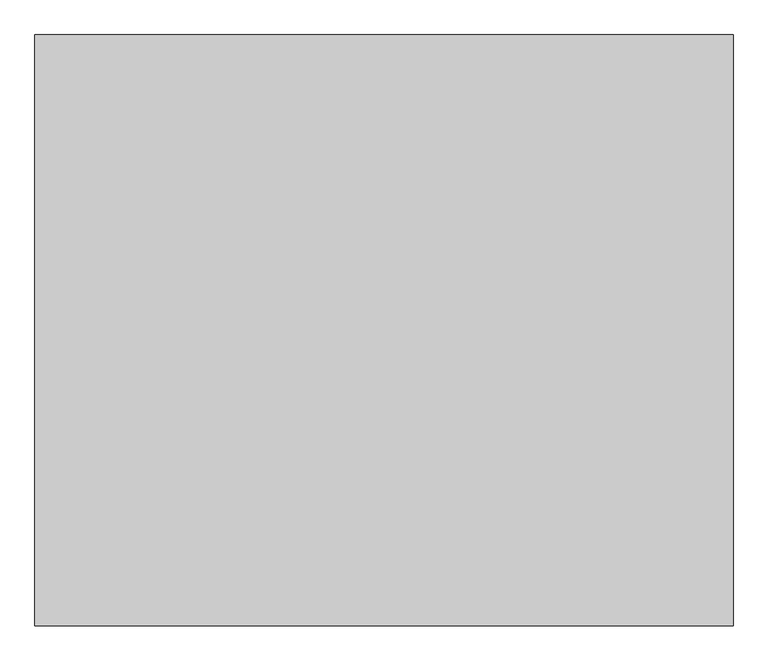
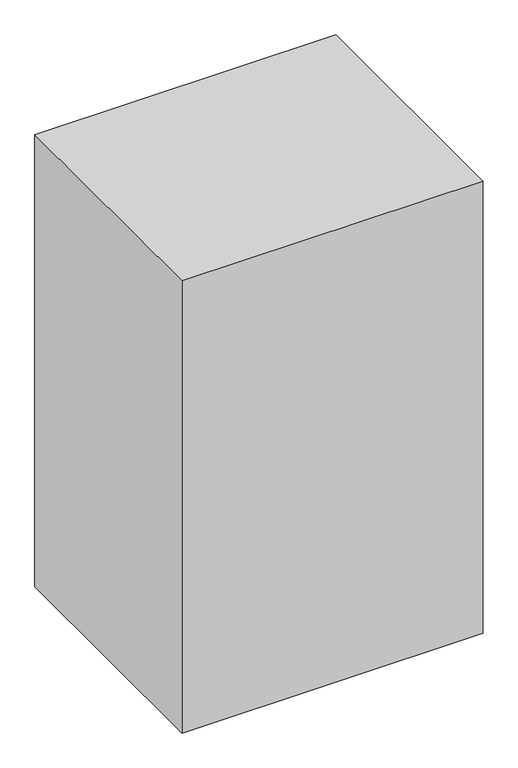
"""IFC4 building model written with IfcOpenShell, lengths in millimetres: proxy geometry."""

from ifc_helpers import new_model, si_unit, point, frame, frame_2d, origin, origin_with_axes, place, context, project, spatial, polyline, circle_curve, trimmed, segment, composite_curve, outline, extrude, source, transform, mapped, element, save
from ifc_brep_helpers import plane_surface, cylinder_surface, revolved_surface, advanced_brep


def mechanical_equipment_d6909e57(model_context):
    return source(origin(), model_context, "Body", "SolidModel", [
        advanced_brep(
        [(-121.5, -220.3858682, 114.5634366), (-121.5, -220.3858682, 646.4331533), (-121.5, -220.3858682, 658.745534), (-121.5, -220.3858682, 102.2510558), (-121.5, -194.9858682, 97.2594902), (-121.5, -194.9858682, 663.7370996), (-121.5, -194.9858682, 380.4982949), (-121.5, -218.9243206, 114.5634366), (-121.5, -218.9243206, 646.4331533), (-121.5, -218.9243206, 380.4982949)],
        [
            (0, 1, circle_curve(frame((-121.5, -220.3858682, 380.4982949), z_axis=(0.0, 1.0, 0.0), x_axis=(0.0, 0.0, 1.0)), 265.9348584)),
            (1, 2),
            (2, 3, circle_curve(frame((-121.5, -220.3858682, 380.4982949), z_axis=(0.0, -1.0, 0.0), x_axis=(0.0, 0.0, 1.0)), 278.2472391)),
            (3, 0),
            (1, 0, circle_curve(frame((-121.5, -220.3858682, 380.4982949), z_axis=(0.0, 1.0, 0.0), x_axis=(0.0, 0.0, 1.0)), 265.9348584)),
            (3, 2, circle_curve(frame((-121.5, -220.3858682, 380.4982949), z_axis=(0.0, -1.0, 0.0), x_axis=(0.0, 0.0, 1.0)), 278.2472391)),
            (4, 5, circle_curve(frame((-121.5, -194.9858682, 380.4982949), z_axis=(0.0, 1.0, 0.0), x_axis=(0.0, 0.0, 1.0)), 283.2388047)),
            (5, 6),
            (6, 4),
            (5, 4, circle_curve(frame((-121.5, -194.9858682, 380.4982949), z_axis=(0.0, 1.0, 0.0), x_axis=(0.0, 0.0, 1.0)), 283.2388047)),
            (2, 5),
            (4, 3),
            (7, 8, circle_curve(frame((-121.5, -218.9243206, 380.4982949), z_axis=(0.0, 1.0, 0.0), x_axis=(0.0, 0.0, 1.0)), 265.9348584)),
            (8, 1),
            (0, 7),
            (8, 7, circle_curve(frame((-121.5, -218.9243206, 380.4982949), z_axis=(0.0, 1.0, 0.0), x_axis=(0.0, 0.0, 1.0)), 265.9348584)),
            (9, 8),
            (7, 9),
        ],
        [
            plane_surface(frame((-121.5, -220.3858682, 380.4982949), z_axis=(0.0, -1.0, 0.0), x_axis=(0.0, 0.0, 1.0))),
            plane_surface(frame((-121.5, -194.9858682, 380.4982949), z_axis=(0.0, 1.0, 0.0), x_axis=(0.0, 0.0, 1.0))),
            revolved_surface(polyline([(-121.5, -194.9858682, 663.7370996), (-121.5, -220.3858682, 658.745534)]), (-121.5, -289.9872535, 380.4982949), (0.0, -1.0, 0.0)),
            revolved_surface(polyline([(-121.5, -220.3858682, 646.4331533), (-121.5, -218.9243206, 646.4331533)]), (-121.5, -289.9872535, 380.4982949), (0.0, -1.0, 0.0)),
            plane_surface(frame((-121.5, -218.9243206, 380.4982949), z_axis=(0.0, -1.0, 0.0), x_axis=(0.0, 0.0, 1.0))),
        ],
        [
            (0, [[1, 2, 3, 4]]),
            (0, [[5, -4, 6, -2]]),
            (1, [[7, 8, 9]]),
            (1, [[10, -9, -8]]),
            (2, [[-3, 11, -7, 12]]),
            (2, [[-6, -12, -10, -11]]),
            (3, [[13, 14, -1, 15]]),
            (3, [[16, -15, -5, -14]]),
            (4, [[17, -13, 18]]),
            (4, [[-18, -16, -17]]),
        ],
    ),
        extrude(outline(composite_curve([segment(polyline([(1335.1863554, 173.5023418), (1335.2136433, -416.4744805)]), True, "CONTINUOUS"), segment(trimmed(circle_curve(frame_2d((1325.2136433, -416.474943)), 10.0), [point((1335.2136433, -416.4744805))], [point((1325.2141047, -426.474943))], False, "CARTESIAN"), True, "CONTINUOUS"), segment(polyline([(1325.2141047, -426.474943), (719.2155414, -426.5029071)]), True, "CONTINUOUS"), segment(trimmed(circle_curve(frame_2d((719.21508, -416.5029071)), 10.0), [point((719.2155414, -426.5029071))], [point((709.21508, -416.5033707))], False, "CARTESIAN"), True, "CONTINUOUS"), segment(polyline([(709.21508, -416.5033707), (709.1877291, 173.4734192)]), True, "CONTINUOUS"), segment(trimmed(circle_curve(frame_2d((719.1877291, 173.4738828)), 10.0), [point((709.1877291, 173.4734192))], [point((719.1872671, 183.4738828))], False, "CARTESIAN"), True, "CONTINUOUS"), segment(polyline([(719.1872671, 183.4738828), (1325.1858935, 183.5018793)]), True, "CONTINUOUS"), segment(trimmed(circle_curve(frame_2d((1325.1863555, 173.5018793)), 10.0), [point((1325.1858935, 183.5018793))], [point((1335.1863554, 173.5023418))], False, "CARTESIAN"), True, "CONTINUOUS")], self_intersect=False), holes=[composite_curve([segment(trimmed(circle_curve(frame_2d((1325.1863555, 173.5018793)), 7.0), [point((1332.1863554, 173.5022031))], [point((1325.1860321, 180.5018793))], True, "CARTESIAN"), True, "CONTINUOUS"), segment(polyline([(1325.1860321, 180.5018793), (719.1874057, 180.4738828)]), True, "CONTINUOUS"), segment(trimmed(circle_curve(frame_2d((719.1877291, 173.4738828)), 7.0), [point((719.1874057, 180.4738828))], [point((712.1877291, 173.4735583))], True, "CARTESIAN"), True, "CONTINUOUS"), segment(polyline([(712.1877291, 173.4735583), (712.21508, -416.5032317)]), True, "CONTINUOUS"), segment(trimmed(circle_curve(frame_2d((719.21508, -416.5029071)), 7.0), [point((712.21508, -416.5032317))], [point((719.215403, -423.5029071))], True, "CARTESIAN"), True, "CONTINUOUS"), segment(polyline([(719.215403, -423.5029071), (1325.2139663, -423.474943)]), True, "CONTINUOUS"), segment(trimmed(circle_curve(frame_2d((1325.2136433, -416.474943)), 7.0), [point((1325.2139663, -423.474943))], [point((1332.2136433, -416.4746193))], True, "CARTESIAN"), True, "CONTINUOUS"), segment(polyline([(1332.2136433, -416.4746193), (1332.1863554, 173.5022031)]), True, "CONTINUOUS")], self_intersect=False)]), frame((0.0, -234.9858682, 0.0), z_axis=(0.0, 1.0, 0.0), x_axis=(0.0, 0.0, 1.0)), (0.0, 0.0, 1.0), 40.0),
        extrude(outline(composite_curve([segment(polyline([(691.1719438, 173.5023418), (691.1992316, -416.4744805)]), True, "CONTINUOUS"), segment(trimmed(circle_curve(frame_2d((681.1992317, -416.474943)), 10.0), [point((691.1992316, -416.4744805))], [point((681.1996931, -426.474943))], False, "CARTESIAN"), True, "CONTINUOUS"), segment(polyline([(681.1996931, -426.474943), (75.2011298, -426.5029071)]), True, "CONTINUOUS"), segment(trimmed(circle_curve(frame_2d((75.2006683, -416.5029071)), 10.0), [point((75.2011298, -426.5029071))], [point((65.2006684, -416.5033707))], False, "CARTESIAN"), True, "CONTINUOUS"), segment(polyline([(65.2006684, -416.5033707), (65.1733175, 173.4734192)]), True, "CONTINUOUS"), segment(trimmed(circle_curve(frame_2d((75.1733175, 173.4738828)), 10.0), [point((65.1733175, 173.4734192))], [point((75.1728555, 183.4738828))], False, "CARTESIAN"), True, "CONTINUOUS"), segment(polyline([(75.1728555, 183.4738828), (681.1714818, 183.5018793)]), True, "CONTINUOUS"), segment(trimmed(circle_curve(frame_2d((681.1719438, 173.5018793)), 10.0), [point((681.1714818, 183.5018793))], [point((691.1719438, 173.5023418))], False, "CARTESIAN"), True, "CONTINUOUS")], self_intersect=False), holes=[composite_curve([segment(trimmed(circle_curve(frame_2d((681.1719438, 173.5018793)), 7.0), [point((688.1719438, 173.5022031))], [point((681.1716204, 180.5018793))], True, "CARTESIAN"), True, "CONTINUOUS"), segment(polyline([(681.1716204, 180.5018793), (75.1729941, 180.4738828)]), True, "CONTINUOUS"), segment(trimmed(circle_curve(frame_2d((75.1733175, 173.4738828)), 7.0), [point((75.1729941, 180.4738828))], [point((68.1733175, 173.4735583))], True, "CARTESIAN"), True, "CONTINUOUS"), segment(polyline([(68.1733175, 173.4735583), (68.2006683, -416.5032317)]), True, "CONTINUOUS"), segment(trimmed(circle_curve(frame_2d((75.2006683, -416.5029071)), 7.0), [point((68.2006683, -416.5032317))], [point((75.2009914, -423.5029071))], True, "CARTESIAN"), True, "CONTINUOUS"), segment(polyline([(75.2009914, -423.5029071), (681.1995547, -423.474943)]), True, "CONTINUOUS"), segment(trimmed(circle_curve(frame_2d((681.1992317, -416.474943)), 7.0), [point((681.1995547, -423.474943))], [point((688.1992316, -416.4746193))], True, "CARTESIAN"), True, "CONTINUOUS"), segment(polyline([(688.1992316, -416.4746193), (688.1719438, 173.5022031)]), True, "CONTINUOUS")], self_intersect=False)]), frame((0.0, -234.9858682, 0.0), z_axis=(0.0, 1.0, 0.0), x_axis=(0.0, 0.0, 1.0)), (0.0, 0.0, 1.0), 40.0),
        advanced_brep(
        [(-121.5, -220.3858682, 756.2451416), (-121.5, -220.3858682, 1288.1148584), (-121.5, -220.3858682, 1300.4272391), (-121.5, -220.3858682, 743.9327609), (-121.5, -194.9858682, 738.9411953), (-121.5, -194.9858682, 1305.4188047), (-121.5, -194.9858682, 1022.18), (-121.5, -218.9243206, 756.2451416), (-121.5, -218.9243206, 1288.1148584), (-121.5, -218.9243206, 1022.18)],
        [
            (0, 1, circle_curve(frame((-121.5, -220.3858682, 1022.18), z_axis=(0.0, 1.0, 0.0), x_axis=(0.0, 0.0, 1.0)), 265.9348584)),
            (1, 2),
            (2, 3, circle_curve(frame((-121.5, -220.3858682, 1022.18), z_axis=(0.0, -1.0, 0.0), x_axis=(0.0, 0.0, 1.0)), 278.2472391)),
            (3, 0),
            (1, 0, circle_curve(frame((-121.5, -220.3858682, 1022.18), z_axis=(0.0, 1.0, 0.0), x_axis=(0.0, 0.0, 1.0)), 265.9348584)),
            (3, 2, circle_curve(frame((-121.5, -220.3858682, 1022.18), z_axis=(0.0, -1.0, 0.0), x_axis=(0.0, 0.0, 1.0)), 278.2472391)),
            (4, 5, circle_curve(frame((-121.5, -194.9858682, 1022.18), z_axis=(0.0, 1.0, 0.0), x_axis=(0.0, 0.0, 1.0)), 283.2388047)),
            (5, 6),
            (6, 4),
            (5, 4, circle_curve(frame((-121.5, -194.9858682, 1022.18), z_axis=(0.0, 1.0, 0.0), x_axis=(0.0, 0.0, 1.0)), 283.2388047)),
            (2, 5),
            (4, 3),
            (7, 8, circle_curve(frame((-121.5, -218.9243206, 1022.18), z_axis=(0.0, 1.0, 0.0), x_axis=(0.0, 0.0, 1.0)), 265.9348584)),
            (8, 1),
            (0, 7),
            (8, 7, circle_curve(frame((-121.5, -218.9243206, 1022.18), z_axis=(0.0, 1.0, 0.0), x_axis=(0.0, 0.0, 1.0)), 265.9348584)),
            (9, 8),
            (7, 9),
        ],
        [
            plane_surface(frame((-121.5, -220.3858682, 1022.18), z_axis=(0.0, -1.0, 0.0), x_axis=(0.0, 0.0, 1.0))),
            plane_surface(frame((-121.5, -194.9858682, 1022.18), z_axis=(0.0, 1.0, 0.0), x_axis=(0.0, 0.0, 1.0))),
            revolved_surface(polyline([(-121.5, -194.9858682, 1305.4188047), (-121.5, -220.3858682, 1300.4272391)]), (-121.5, -289.9872535, 1022.18), (0.0, -1.0, 0.0)),
            revolved_surface(polyline([(-121.5, -220.3858682, 1288.1148584), (-121.5, -218.9243206, 1288.1148584)]), (-121.5, -289.9872535, 1022.18), (0.0, -1.0, 0.0)),
            plane_surface(frame((-121.5, -218.9243206, 1022.18), z_axis=(0.0, -1.0, 0.0), x_axis=(0.0, 0.0, 1.0))),
        ],
        [
            (0, [[1, 2, 3, 4]]),
            (0, [[5, -4, 6, -2]]),
            (1, [[7, 8, 9]]),
            (1, [[10, -9, -8]]),
            (2, [[-3, 11, -7, 12]]),
            (2, [[-6, -12, -10, -11]]),
            (3, [[13, 14, -1, 15]]),
            (3, [[16, -15, -5, -14]]),
            (4, [[17, -13, 18]]),
            (4, [[-18, -16, -17]]),
        ],
    ),
        extrude(outline(composite_curve([segment(trimmed(circle_curve(frame_2d((1325.2136433, -416.474943)), 7.0), [point((1332.2136433, -416.4746193))], [point((1325.2139663, -423.474943))], False, "CARTESIAN"), True, "CONTINUOUS"), segment(polyline([(1325.2139663, -423.474943), (719.215403, -423.5029071)]), True, "CONTINUOUS"), segment(trimmed(circle_curve(frame_2d((719.21508, -416.5029071)), 7.0), [point((719.215403, -423.5029071))], [point((712.21508, -416.5032317))], False, "CARTESIAN"), True, "CONTINUOUS"), segment(polyline([(712.21508, -416.5032317), (712.1877291, 173.4735583)]), True, "CONTINUOUS"), segment(trimmed(circle_curve(frame_2d((719.1877291, 173.4738828)), 7.0), [point((712.1877291, 173.4735583))], [point((719.1874057, 180.4738828))], False, "CARTESIAN"), True, "CONTINUOUS"), segment(polyline([(719.1874057, 180.4738828), (1325.1860321, 180.5018793)]), True, "CONTINUOUS"), segment(trimmed(circle_curve(frame_2d((1325.1863555, 173.5018793)), 7.0), [point((1325.1860321, 180.5018793))], [point((1332.1863554, 173.5022031))], False, "CARTESIAN"), True, "CONTINUOUS"), segment(polyline([(1332.1863554, 173.5022031), (1332.2136433, -416.4746193)]), True, "CONTINUOUS")], self_intersect=False)), frame((0.0, -234.9858682, 0.0), z_axis=(0.0, 1.0, 0.0), x_axis=(0.0, 0.0, 1.0)), (0.0, 0.0, 1.0), 40.0),
        extrude(outline(composite_curve([segment(trimmed(circle_curve(frame_2d((681.1992317, -416.474943)), 7.0), [point((688.1992316, -416.4746193))], [point((681.1995547, -423.474943))], False, "CARTESIAN"), True, "CONTINUOUS"), segment(polyline([(681.1995547, -423.474943), (75.2009914, -423.5029071)]), True, "CONTINUOUS"), segment(trimmed(circle_curve(frame_2d((75.2006683, -416.5029071)), 7.0), [point((75.2009914, -423.5029071))], [point((68.2006683, -416.5032317))], False, "CARTESIAN"), True, "CONTINUOUS"), segment(polyline([(68.2006683, -416.5032317), (68.1733175, 173.4735583)]), True, "CONTINUOUS"), segment(trimmed(circle_curve(frame_2d((75.1733175, 173.4738828)), 7.0), [point((68.1733175, 173.4735583))], [point((75.1729941, 180.4738828))], False, "CARTESIAN"), True, "CONTINUOUS"), segment(polyline([(75.1729941, 180.4738828), (681.1716204, 180.5018793)]), True, "CONTINUOUS"), segment(trimmed(circle_curve(frame_2d((681.1719438, 173.5018793)), 7.0), [point((681.1716204, 180.5018793))], [point((688.1719438, 173.5022031))], False, "CARTESIAN"), True, "CONTINUOUS"), segment(polyline([(688.1719438, 173.5022031), (688.1992316, -416.4746193)]), True, "CONTINUOUS")], self_intersect=False)), frame((0.0, -234.9858682, 0.0), z_axis=(0.0, 1.0, 0.0), x_axis=(0.0, 0.0, 1.0)), (0.0, 0.0, 1.0), 40.0),
        extrude(outline(composite_curve([segment(trimmed(circle_curve(frame_2d((-158.0324499, 91.3038221)), 4.76), [point((-162.7924499, 91.3038221))], [point((-153.2724499, 91.3038221))], False, "CARTESIAN"), True, "CONTINUOUS"), segment(trimmed(circle_curve(frame_2d((-158.0324499, 91.3038221)), 4.76), [point((-153.2724499, 91.3038221))], [point((-162.7924499, 91.3038221))], False, "CARTESIAN"), True, "CONTINUOUS")], self_intersect=False)), frame((403.3741048, 0.0, 0.0), z_axis=(1.0, 0.0, 0.0), x_axis=(0.0, 1.0, 0.0)), (0.0, 0.0, 1.0), 71.63),
        extrude(outline(composite_curve([segment(trimmed(circle_curve(frame_2d((-127.534221, 91.3038221)), 7.94), [point((-135.474221, 91.3038221))], [point((-119.594221, 91.3038221))], False, "CARTESIAN"), True, "CONTINUOUS"), segment(trimmed(circle_curve(frame_2d((-127.534221, 91.3038221)), 7.94), [point((-119.594221, 91.3038221))], [point((-135.474221, 91.3038221))], False, "CARTESIAN"), True, "CONTINUOUS")], self_intersect=False)), frame((403.3741048, 0.0, 0.0), z_axis=(1.0, 0.0, 0.0), x_axis=(0.0, 1.0, 0.0)), (0.0, 0.0, 1.0), 71.63),
        advanced_brep(
        [(-335.0, -235.0, -0.0023462), (-335.0, -235.0, 4.8076859), (-335.0, -230.7985162, 9.0091697), (-335.0, -193.7687717, 9.0091697), (-335.0, -184.3767334, 15.5688257), (-335.0, -180.6724798, 25.6733884), (-335.0, -174.3214188, 32.2129905), (-335.0, 161.4703581, 32.2129905), (-335.0, 167.9574085, 25.3287628), (-335.0, 171.4314165, 15.8669701), (-335.0, 180.9302278, 9.0008334), (-335.0, 200.9539663, 9.0008334), (-335.0, 205.1554502, 4.7993496), (-335.0, 205.1554502, -0.0023462), (-265.0, -235.0, -0.0023462), (-265.0, 205.1554502, -0.0023462), (-265.0, 205.1554502, 4.7993496), (-265.0, 200.9539663, 9.0008334), (-265.0, 180.9302278, 9.0008334), (-265.0, 171.4314165, 15.8669701), (-265.0, 167.9574085, 25.3287628), (-265.0, 161.4703581, 32.2129905), (-265.0, -174.3214188, 32.2129905), (-265.0, -180.6711805, 25.670834), (-265.0, -184.373787, 15.5698201), (-265.0, -193.7687717, 9.0091697), (-265.0, -230.7985162, 9.0091697), (-265.0, -235.0, 4.8076859)],
        [
            (0, 1),
            (1, 2, circle_curve(frame((-335.0, -230.7985162, 4.8076859), z_axis=(-1.0, 0.0, 0.0), x_axis=(0.0, 1.0, 0.0)), 4.2014838)),
            (2, 3),
            (3, 4, circle_curve(frame((-335.0, -193.7687717, 19.0127027), z_axis=(1.0, 0.0, 0.0), x_axis=(0.0, 1.0, 0.0)), 10.003533)),
            (4, 5),
            (5, 6, circle_curve(frame((-335.0, -170.1520976, 21.8136919), z_axis=(-1.0, 0.0, 0.0), x_axis=(0.0, 1.0, 0.0)), 11.2039569)),
            (6, 7),
            (7, 8, circle_curve(frame((-335.0, 157.3218901, 21.8053556), z_axis=(-1.0, 0.0, 0.0), x_axis=(0.0, 1.0, 0.0)), 11.2039569)),
            (8, 9),
            (9, 10, circle_curve(frame((-335.0, 180.9302278, 19.0043664), z_axis=(1.0, 0.0, 0.0), x_axis=(0.0, 1.0, 0.0)), 10.003533)),
            (10, 11),
            (11, 12, circle_curve(frame((-335.0, 200.9539663, 4.7993496), z_axis=(-1.0, 0.0, 0.0), x_axis=(0.0, 1.0, 0.0)), 4.2014838)),
            (12, 13),
            (13, 0),
            (14, 15),
            (15, 16),
            (16, 17, circle_curve(frame((-265.0, 200.9539663, 4.7993496), z_axis=(1.0, 0.0, 0.0), x_axis=(0.0, 1.0, 0.0)), 4.2014838)),
            (17, 18),
            (18, 19, circle_curve(frame((-265.0, 180.9302278, 19.0043664), z_axis=(-1.0, 0.0, 0.0), x_axis=(0.0, 1.0, 0.0)), 10.003533)),
            (19, 20),
            (20, 21, circle_curve(frame((-265.0, 157.3218901, 21.8053556), z_axis=(1.0, 0.0, 0.0), x_axis=(0.0, 1.0, 0.0)), 11.2039569)),
            (21, 22),
            (22, 23, circle_curve(frame((-265.0, -170.1520976, 21.8136919), z_axis=(1.0, 0.0, 0.0), x_axis=(0.0, 1.0, 0.0)), 11.2039569)),
            (23, 24),
            (24, 25, circle_curve(frame((-265.0, -193.7687717, 19.0127027), z_axis=(-1.0, 0.0, 0.0), x_axis=(0.0, 1.0, 0.0)), 10.003533)),
            (25, 26),
            (26, 27, circle_curve(frame((-265.0, -230.7985162, 4.8076859), z_axis=(1.0, 0.0, 0.0), x_axis=(0.0, 1.0, 0.0)), 4.2014838)),
            (27, 14),
            (0, 14),
            (27, 1),
            (26, 2),
            (25, 3),
            (24, 4),
            (23, 5),
            (22, 6),
            (21, 7),
            (20, 8),
            (19, 9),
            (18, 10),
            (17, 11),
            (16, 12),
            (15, 13),
        ],
        [
            plane_surface(frame((-335.0, -235.0, 4.8076859), z_axis=(-1.0, 0.0, 0.0), x_axis=(0.0, 0.0, 1.0))),
            plane_surface(frame((-265.0, -235.0, 4.8076859), z_axis=(1.0, 0.0, 0.0), x_axis=(0.0, 0.0, -1.0))),
            plane_surface(frame((-335.0, -235.0, -0.0023462), z_axis=(0.0, -1.0, 0.0), x_axis=(1.0, 0.0, 0.0))),
            cylinder_surface(frame((-265.0, -230.7985162, 4.8076859), z_axis=(-1.0, 0.0, 0.0), x_axis=(0.0, 1.0, 0.0)), 4.2014838),
            plane_surface(frame((-335.0, -230.7985162, 9.0091697), z_axis=(0.0, 0.0, 1.0), x_axis=(1.0, 0.0, 0.0))),
            revolved_surface(polyline([(-265.0, -183.7652387, 19.0127027), (-335.0, -183.7652387, 19.0127027)]), (-265.0, -193.7687717, 19.0127027), (1.0, 0.0, 0.0)),
            plane_surface(frame((-335.0, -184.373787, 15.5698201), z_axis=(0.0, -0.9389764375191011, 0.34398146720999045), x_axis=(1.0, 0.0, 0.0))),
            cylinder_surface(frame((-265.0, -170.1520976, 21.8136919), z_axis=(-1.0, 0.0, 0.0), x_axis=(0.0, 1.0, 0.0)), 11.2039569),
            plane_surface(frame((-335.0, -174.3214188, 32.2129905), z_axis=(0.0, 0.0, 1.0), x_axis=(1.0, 0.0, 0.0))),
            cylinder_surface(frame((-265.0, 157.3218901, 21.8053556), z_axis=(-1.0, 0.0, 0.0), x_axis=(0.0, 1.0, 0.0)), 11.2039569),
            plane_surface(frame((-335.0, 167.9574085, 25.3287628), z_axis=(0.0, 0.9387260245311962, 0.3446642581815761), x_axis=(1.0, 0.0, 0.0))),
            revolved_surface(polyline([(-265.0, 190.93376080000002, 19.0043664), (-335.0, 190.93376080000002, 19.0043664)]), (-265.0, 180.9302278, 19.0043664), (1.0, 0.0, 0.0)),
            plane_surface(frame((-335.0, 180.9302278, 9.0008334), z_axis=(0.0, 0.0, 1.0), x_axis=(1.0, 0.0, 0.0))),
            cylinder_surface(frame((-265.0, 200.9539663, 4.7993496), z_axis=(-1.0, 0.0, 0.0), x_axis=(0.0, 1.0, 0.0)), 4.2014838),
            plane_surface(frame((-335.0, 205.1554502, 4.7993496), z_axis=(0.0, 1.0, 0.0), x_axis=(1.0, 0.0, 0.0))),
            plane_surface(frame((-335.0, 205.1554502, -0.0023462), z_axis=(0.0, 0.0, -1.0), x_axis=(1.0, 0.0, 0.0))),
        ],
        [
            (0, [[1, 2, 3, 4, 5, 6, 7, 8, 9, 10, 11, 12, 13, 14]]),
            (1, [[15, 16, 17, 18, 19, 20, 21, 22, 23, 24, 25, 26, 27, 28]]),
            (2, [[-1, 29, -28, 30]]),
            (3, [[-2, -30, -27, 31]]),
            (4, [[-3, -31, -26, 32]]),
            (5, [[-4, -32, -25, 33]]),
            (6, [[-5, -33, -24, 34]]),
            (7, [[-6, -34, -23, 35]]),
            (8, [[-7, -35, -22, 36]]),
            (9, [[-8, -36, -21, 37]]),
            (10, [[-9, -37, -20, 38]]),
            (11, [[-10, -38, -19, 39]]),
            (12, [[-11, -39, -18, 40]]),
            (13, [[-12, -40, -17, 41]]),
            (14, [[-13, -41, -16, 42]]),
            (15, [[-14, -42, -15, -29]]),
        ],
    ),
        advanced_brep(
        [(265.0, -235.0, -0.0023462), (265.0, -235.0, 4.8076859), (265.0, -230.7985162, 9.0091697), (265.0, -193.7687717, 9.0091697), (265.0, -184.3767334, 15.5688257), (265.0, -180.6724798, 25.6733884), (265.0, -174.3214188, 32.2129905), (265.0, 161.4703581, 32.2129905), (265.0, 167.9574085, 25.3287628), (265.0, 171.4314165, 15.8669701), (265.0, 180.9302278, 9.0008334), (265.0, 200.9539663, 9.0008334), (265.0, 205.1554502, 4.7993496), (265.0, 205.1554502, -0.0023462), (335.0, -235.0, -0.0023462), (335.0, 205.1554502, -0.0023462), (335.0, 205.1554502, 4.7993496), (335.0, 200.9539663, 9.0008334), (335.0, 180.9302278, 9.0008334), (335.0, 171.4314165, 15.8669701), (335.0, 167.9574085, 25.3287628), (335.0, 161.4703581, 32.2129905), (335.0, -174.3214188, 32.2129905), (335.0, -180.6711805, 25.670834), (335.0, -184.373787, 15.5698201), (335.0, -193.7687717, 9.0091697), (335.0, -230.7985162, 9.0091697), (335.0, -235.0, 4.8076859)],
        [
            (0, 1),
            (1, 2, circle_curve(frame((265.0, -230.7985162, 4.8076859), z_axis=(-1.0, 0.0, 0.0), x_axis=(0.0, 1.0, 0.0)), 4.2014838)),
            (2, 3),
            (3, 4, circle_curve(frame((265.0, -193.7687717, 19.0127027), z_axis=(1.0, 0.0, 0.0), x_axis=(0.0, 1.0, 0.0)), 10.003533)),
            (4, 5),
            (5, 6, circle_curve(frame((265.0, -170.1520976, 21.8136919), z_axis=(-1.0, 0.0, 0.0), x_axis=(0.0, 1.0, 0.0)), 11.2039569)),
            (6, 7),
            (7, 8, circle_curve(frame((265.0, 157.3218901, 21.8053556), z_axis=(-1.0, 0.0, 0.0), x_axis=(0.0, 1.0, 0.0)), 11.2039569)),
            (8, 9),
            (9, 10, circle_curve(frame((265.0, 180.9302278, 19.0043664), z_axis=(1.0, 0.0, 0.0), x_axis=(0.0, 1.0, 0.0)), 10.003533)),
            (10, 11),
            (11, 12, circle_curve(frame((265.0, 200.9539663, 4.7993496), z_axis=(-1.0, 0.0, 0.0), x_axis=(0.0, 1.0, 0.0)), 4.2014838)),
            (12, 13),
            (13, 0),
            (14, 15),
            (15, 16),
            (16, 17, circle_curve(frame((335.0, 200.9539663, 4.7993496), z_axis=(1.0, 0.0, 0.0), x_axis=(0.0, 1.0, 0.0)), 4.2014838)),
            (17, 18),
            (18, 19, circle_curve(frame((335.0, 180.9302278, 19.0043664), z_axis=(-1.0, 0.0, 0.0), x_axis=(0.0, 1.0, 0.0)), 10.003533)),
            (19, 20),
            (20, 21, circle_curve(frame((335.0, 157.3218901, 21.8053556), z_axis=(1.0, 0.0, 0.0), x_axis=(0.0, 1.0, 0.0)), 11.2039569)),
            (21, 22),
            (22, 23, circle_curve(frame((335.0, -170.1520976, 21.8136919), z_axis=(1.0, 0.0, 0.0), x_axis=(0.0, 1.0, 0.0)), 11.2039569)),
            (23, 24),
            (24, 25, circle_curve(frame((335.0, -193.7687717, 19.0127027), z_axis=(-1.0, 0.0, 0.0), x_axis=(0.0, 1.0, 0.0)), 10.003533)),
            (25, 26),
            (26, 27, circle_curve(frame((335.0, -230.7985162, 4.8076859), z_axis=(1.0, 0.0, 0.0), x_axis=(0.0, 1.0, 0.0)), 4.2014838)),
            (27, 14),
            (0, 14),
            (27, 1),
            (26, 2),
            (25, 3),
            (24, 4),
            (23, 5),
            (22, 6),
            (21, 7),
            (20, 8),
            (19, 9),
            (18, 10),
            (17, 11),
            (16, 12),
            (15, 13),
        ],
        [
            plane_surface(frame((265.0, -235.0, 4.8076859), z_axis=(-1.0, 0.0, 0.0), x_axis=(0.0, 0.0, 1.0))),
            plane_surface(frame((335.0, -235.0, 4.8076859), z_axis=(1.0, 0.0, 0.0), x_axis=(0.0, 0.0, -1.0))),
            plane_surface(frame((265.0, -235.0, -0.0023462), z_axis=(0.0, -1.0, 0.0), x_axis=(1.0, 0.0, 0.0))),
            cylinder_surface(frame((335.0, -230.7985162, 4.8076859), z_axis=(-1.0, 0.0, 0.0), x_axis=(0.0, 1.0, 0.0)), 4.2014838),
            plane_surface(frame((265.0, -230.7985162, 9.0091697), z_axis=(0.0, 0.0, 1.0), x_axis=(1.0, 0.0, 0.0))),
            revolved_surface(polyline([(335.0, -183.7652387, 19.0127027), (265.0, -183.7652387, 19.0127027)]), (335.0, -193.7687717, 19.0127027), (1.0, 0.0, 0.0)),
            plane_surface(frame((265.0, -184.373787, 15.5698201), z_axis=(0.0, -0.9389764375191011, 0.34398146720999045), x_axis=(1.0, 0.0, 0.0))),
            cylinder_surface(frame((335.0, -170.1520976, 21.8136919), z_axis=(-1.0, 0.0, 0.0), x_axis=(0.0, 1.0, 0.0)), 11.2039569),
            plane_surface(frame((265.0, -174.3214188, 32.2129905), z_axis=(0.0, 0.0, 1.0), x_axis=(1.0, 0.0, 0.0))),
            cylinder_surface(frame((335.0, 157.3218901, 21.8053556), z_axis=(-1.0, 0.0, 0.0), x_axis=(0.0, 1.0, 0.0)), 11.2039569),
            plane_surface(frame((265.0, 167.9574085, 25.3287628), z_axis=(0.0, 0.9387260245311962, 0.3446642581815761), x_axis=(1.0, 0.0, 0.0))),
            revolved_surface(polyline([(335.0, 190.93376080000002, 19.0043664), (265.0, 190.93376080000002, 19.0043664)]), (335.0, 180.9302278, 19.0043664), (1.0, 0.0, 0.0)),
            plane_surface(frame((265.0, 180.9302278, 9.0008334), z_axis=(0.0, 0.0, 1.0), x_axis=(1.0, 0.0, 0.0))),
            cylinder_surface(frame((335.0, 200.9539663, 4.7993496), z_axis=(-1.0, 0.0, 0.0), x_axis=(0.0, 1.0, 0.0)), 4.2014838),
            plane_surface(frame((265.0, 205.1554502, 4.7993496), z_axis=(0.0, 1.0, 0.0), x_axis=(1.0, 0.0, 0.0))),
            plane_surface(frame((265.0, 205.1554502, -0.0023462), z_axis=(0.0, 0.0, -1.0), x_axis=(1.0, 0.0, 0.0))),
        ],
        [
            (0, [[1, 2, 3, 4, 5, 6, 7, 8, 9, 10, 11, 12, 13, 14]]),
            (1, [[15, 16, 17, 18, 19, 20, 21, 22, 23, 24, 25, 26, 27, 28]]),
            (2, [[-1, 29, -28, 30]]),
            (3, [[-2, -30, -27, 31]]),
            (4, [[-3, -31, -26, 32]]),
            (5, [[-4, -32, -25, 33]]),
            (6, [[-5, -33, -24, 34]]),
            (7, [[-6, -34, -23, 35]]),
            (8, [[-7, -35, -22, 36]]),
            (9, [[-8, -36, -21, 37]]),
            (10, [[-9, -37, -20, 38]]),
            (11, [[-10, -38, -19, 39]]),
            (12, [[-11, -39, -18, 40]]),
            (13, [[-12, -40, -17, 41]]),
            (14, [[-13, -41, -16, 42]]),
            (15, [[-14, -42, -15, -29]]),
        ],
    ),
        extrude(outline(composite_curve([segment(trimmed(circle_curve(frame_2d((263.0, 290.0)), 18.0), [point((263.0, 272.0))], [point((245.0, 290.0))], False, "CARTESIAN"), True, "CONTINUOUS"), segment(polyline([(245.0, 290.0), (245.0, 400.0)]), True, "CONTINUOUS"), segment(trimmed(circle_curve(frame_2d((263.0, 400.0)), 18.0), [point((245.0, 400.0))], [point((263.0, 418.0))], False, "CARTESIAN"), True, "CONTINUOUS"), segment(polyline([(263.0, 418.0), (1299.0, 418.0)]), True, "CONTINUOUS"), segment(trimmed(circle_curve(frame_2d((1299.0, 400.0)), 18.0), [point((1299.0, 418.0))], [point((1317.0, 400.0))], False, "CARTESIAN"), True, "CONTINUOUS"), segment(polyline([(1317.0, 400.0), (1317.0, 290.0)]), True, "CONTINUOUS"), segment(trimmed(circle_curve(frame_2d((1299.0, 290.0)), 18.0), [point((1317.0, 290.0))], [point((1299.0, 272.0))], False, "CARTESIAN"), True, "CONTINUOUS"), segment(polyline([(1299.0, 272.0), (263.0, 272.0)]), True, "CONTINUOUS")], self_intersect=False)), frame((0.0, -209.9858682, 0.0), z_axis=(0.0, 1.0, 0.0), x_axis=(0.0, 0.0, 1.0)), (0.0, 0.0, 1.0), 15.0),
        extrude(outline(composite_curve([segment(trimmed(circle_curve(frame_2d((0.0, 230.082969)), 10.0), [point((10.0, 230.082969))], [point((-10.0, 230.082969))], False, "CARTESIAN"), True, "CONTINUOUS"), segment(trimmed(circle_curve(frame_2d((0.0, 230.082969)), 10.0), [point((-10.0, 230.082969))], [point((10.0, 230.082969))], False, "CARTESIAN"), True, "CONTINUOUS")], self_intersect=False)), frame((483.0, 0.0, 0.0), z_axis=(1.0, 0.0, 0.0), x_axis=(0.0, 1.0, 0.0)), (0.0, 0.0, 1.0), 1.0),
        advanced_brep(
        [(450.7367148, 175.0141318, 1380.0), (-449.9999885, 175.0141318, 1380.0), (-474.9999878, 149.9999901, 1380.0), (-475.0, -170.0000017, 1380.0), (-449.1594868, -194.9858682, 1380.0), (449.9999885, -194.9858682, 1380.0), (474.9999878, -169.9750017, 1380.0), (475.0, 150.0249901, 1380.0), (450.7367148, 175.0141318, 32.0), (474.9999878, 150.0249901, 32.0), (475.0, -169.9750017, 32.0), (449.9999885, -194.975001, 32.0), (-449.1594868, -194.9858682, 32.0), (-474.9999878, -170.0000017, 32.0), (-475.0, 149.9999901, 32.0), (-449.9999885, 174.9999895, 32.0)],
        [
            (0, 1),
            (1, 2, circle_curve(frame((-449.9999885, 149.9999901, 1380.0), z_axis=(0.0, 0.0, 1.0), x_axis=(1.0, 0.0, 0.0)), 24.9999994)),
            (2, 3),
            (3, 4, circle_curve(frame((-449.9999885, -170.0000017, 1380.0), z_axis=(0.0, 0.0, 1.0), x_axis=(1.0, 0.0, 0.0)), 24.9999994)),
            (4, 5),
            (5, 6, circle_curve(frame((449.9999885, -169.9750017, 1380.0), z_axis=(0.0, 0.0, 1.0), x_axis=(1.0, 0.0, 0.0)), 24.9999994)),
            (6, 7),
            (7, 0, circle_curve(frame((449.9999885, 150.0249901, 1380.0), z_axis=(0.0, 0.0, 1.0), x_axis=(1.0, 0.0, 0.0)), 24.9999994)),
            (8, 9, circle_curve(frame((449.9999885, 150.0249901, 32.0), z_axis=(0.0, 0.0, -1.0), x_axis=(1.0, 0.0, 0.0)), 24.9999994)),
            (9, 10),
            (10, 11, circle_curve(frame((449.9999885, -169.9750017, 32.0), z_axis=(0.0, 0.0, -1.0), x_axis=(1.0, 0.0, 0.0)), 24.9999994)),
            (11, 12),
            (12, 13, circle_curve(frame((-449.9999885, -170.0000017, 32.0), z_axis=(0.0, 0.0, -1.0), x_axis=(1.0, 0.0, 0.0)), 24.9999994)),
            (13, 14),
            (14, 15, circle_curve(frame((-449.9999885, 149.9999901, 32.0), z_axis=(0.0, 0.0, -1.0), x_axis=(1.0, 0.0, 0.0)), 24.9999994)),
            (15, 8),
            (0, 8),
            (15, 1),
            (2, 14),
            (13, 3),
            (4, 12),
            (11, 5),
            (6, 10),
            (9, 7),
        ],
        [
            plane_surface(frame((-449.9999885, 175.0141318, 1380.0), z_axis=(0.0, 0.0, 1.0), x_axis=(-1.0, 0.0, 0.0))),
            plane_surface(frame((-449.9999885, 175.0141318, 32.0), z_axis=(0.0, 0.0, -1.0), x_axis=(1.0, 0.0, 0.0))),
            plane_surface(frame((450.7367148, 175.0141318, 1380.0), z_axis=(0.0, 1.0, 0.0), x_axis=(0.0, 0.0, -1.0))),
            plane_surface(frame((-475.0, 149.9999901, 1380.0), z_axis=(-1.0, 0.0, 0.0), x_axis=(0.0, 0.0, -1.0))),
            plane_surface(frame((-449.1594868, -194.9858682, 1380.0), z_axis=(0.0, -1.0, 0.0), x_axis=(0.0, 0.0, -1.0))),
            plane_surface(frame((475.0, -169.9750017, 1380.0), z_axis=(1.0, 0.0, 0.0), x_axis=(0.0, 0.0, -1.0))),
            cylinder_surface(frame((-449.9999885, 149.9999901, 32.0), z_axis=(0.0, 0.0, 1.0), x_axis=(1.0, 0.0, 0.0)), 24.9999994),
            cylinder_surface(frame((-449.9999885, -170.0000017, 32.0), z_axis=(0.0, 0.0, 1.0), x_axis=(1.0, 0.0, 0.0)), 24.9999994),
            cylinder_surface(frame((449.9999885, -169.9750017, 32.0), z_axis=(0.0, 0.0, 1.0), x_axis=(1.0, 0.0, 0.0)), 24.9999994),
            cylinder_surface(frame((449.9999885, 150.0249901, 32.0), z_axis=(0.0, 0.0, 1.0), x_axis=(1.0, 0.0, 0.0)), 24.9999994),
        ],
        [
            (0, [[1, 2, 3, 4, 5, 6, 7, 8]]),
            (1, [[9, 10, 11, 12, 13, 14, 15, 16]]),
            (2, [[-1, 17, -16, 18]]),
            (3, [[-3, 19, -14, 20]]),
            (4, [[-5, 21, -12, 22]]),
            (5, [[-7, 23, -10, 24]]),
            (6, [[-2, -18, -15, -19]]),
            (7, [[-4, -20, -13, -21]]),
            (8, [[-6, -22, -11, -23]]),
            (9, [[-8, -24, -9, -17]]),
        ],
    ),
        extrude(outline(polyline([(975.0, 475.0141318), (975.0, -794.9858682), (-525.0, -794.9858682), (-525.0, 475.0141318), (975.0, 475.0141318)])), origin_with_axes(), (0.0, 0.0, 1.0), 2380.0),
    ])


if __name__ == "__main__":
    model = new_model("IFC4")
    model_context = context("Model", 3, world=origin())
    ifc_project = project(units=[si_unit("LENGTHUNIT", "METRE", prefix="MILLI")], contexts=[model_context])
    site = spatial("IfcSite", under=ifc_project)
    building = spatial("IfcBuilding", under=site)
    placement = place(None, origin())
    mechanical_equipment_shape = mechanical_equipment_d6909e57(model_context)
    element("IfcBuildingElementProxy", 1, Name="Mechanical Equipment", at=placement, inside=building, context=model_context, shape_type="MappedRepresentation", body=[
        mapped(mechanical_equipment_shape, transform((0.0, 0.0, 0.0), x_axis=(1.0, 0.0, 0.0), y_axis=(0.0, 1.0, 0.0), z_axis=(0.0, 0.0, 1.0))),
    ])
    save(model, "model.ifc")
